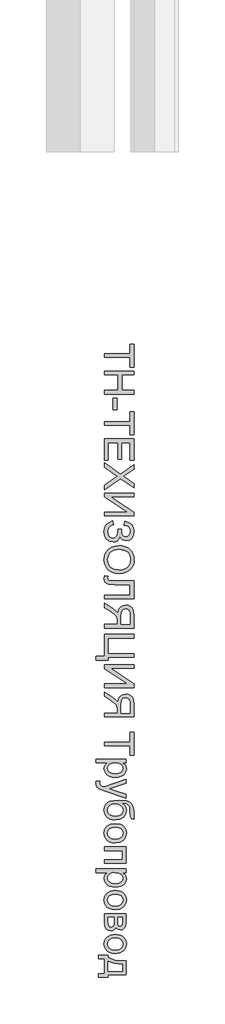
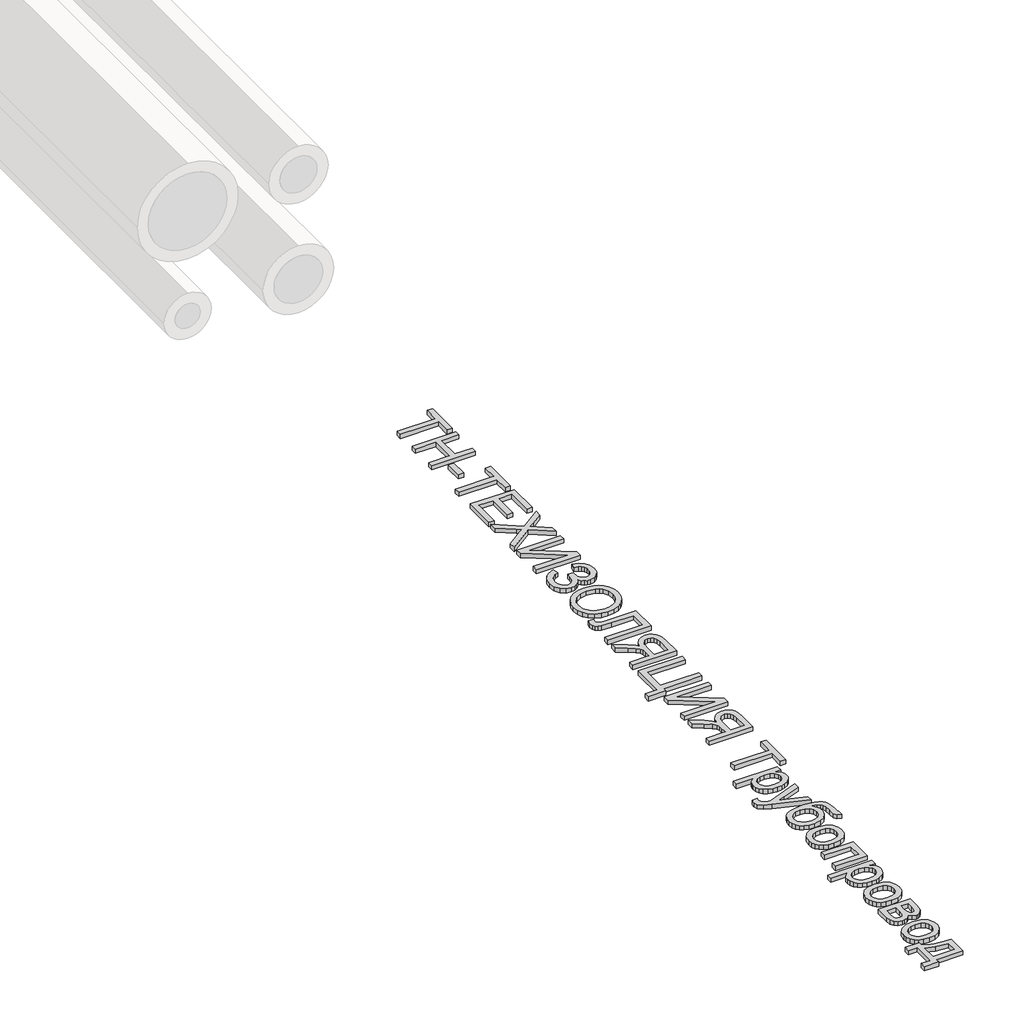
# One storey, part 2 of 2: 1 proxy.
"""IFC4 building model written with IfcOpenShell, lengths in millimetres."""

from ifc_helpers import new_model, si_unit, origin, origin_with_axes, place, context, project, spatial, polyline, outline, extrude, element, save

model = new_model("IFC4")

# Units and contexts
model_context = context("Model", 3, world=origin())
ifc_project = project(units=[si_unit("LENGTHUNIT", "METRE", prefix="MILLI")], contexts=[model_context])

# Site, building, storey
site = spatial("IfcSite", under=ifc_project)
building = spatial("IfcBuilding", under=site)
storey = spatial("IfcBuildingStorey", under=building, Elevation=0.0)

# Proxy
placement = place(None, origin())
element("IfcBuildingElementProxy", 1, Name="Generic Models", at=placement, inside=storey, context=model_context, shape_type="SweptSolid", body=[
    extrude(outline(polyline([(10619.5520286, -37659.3593778), (10791.8597209, -37659.3593778), (10791.8597209, -37594.7439932), (10816.4751055, -37594.7439932), (10816.4751055, -37748.590147), (10791.8597209, -37748.590147), (10791.8597209, -37683.9747624), (10619.5520286, -37683.9747624), (10619.5520286, -37659.3593778)])), origin_with_axes(), (0.0, 0.0, 1.0), 20.0),
    extrude(outline(polyline([(10619.5520286, -37776.2824547), (10816.4751055, -37776.2824547), (10816.4751055, -37800.8978393), (10736.4751055, -37800.8978393), (10736.4751055, -37905.5132239), (10816.4751055, -37905.5132239), (10816.4751055, -37930.1286085), (10619.5520286, -37930.1286085), (10619.5520286, -37905.5132239), (10711.8597209, -37905.5132239), (10711.8597209, -37800.8978393), (10619.5520286, -37800.8978393), (10619.5520286, -37776.2824547)])), origin_with_axes(), (0.0, 0.0, 1.0), 20.0),
    extrude(outline(polyline([(10678.0135671, -37957.8209162), (10702.6289517, -37957.8209162), (10702.6289517, -38034.7439932), (10678.0135671, -38034.7439932), (10678.0135671, -37957.8209162)])), origin_with_axes(), (0.0, 0.0, 1.0), 20.0),
    extrude(outline(polyline([(10619.5520286, -38114.7439932), (10791.8597209, -38114.7439932), (10791.8597209, -38050.1286085), (10816.4751055, -38050.1286085), (10816.4751055, -38203.9747624), (10791.8597209, -38203.9747624), (10791.8597209, -38139.3593778), (10619.5520286, -38139.3593778), (10619.5520286, -38114.7439932)])), origin_with_axes(), (0.0, 0.0, 1.0), 20.0),
    extrude(outline(polyline([(10619.5520286, -38231.6670701), (10816.4751055, -38231.6670701), (10816.4751055, -38373.2055316), (10791.8597209, -38373.2055316), (10791.8597209, -38256.2824547), (10733.3981825, -38256.2824547), (10733.3981825, -38367.0516855), (10708.7827978, -38367.0516855), (10708.7827978, -38256.2824547), (10644.1674132, -38256.2824547), (10644.1674132, -38376.2824547), (10619.5520286, -38376.2824547), (10619.5520286, -38231.6670701)])), origin_with_axes(), (0.0, 0.0, 1.0), 20.0),
    extrude(outline(polyline([(10619.5520286, -38391.6670701), (10726.8597209, -38467.5805316), (10816.4751055, -38403.9747624), (10816.4751055, -38433.4939932), (10766.0424132, -38469.3113008), (10746.3789517, -38481.3786085), (10766.3789517, -38495.5132239), (10816.4751055, -38530.9459162), (10816.4751055, -38560.8978393), (10726.5712594, -38497.2920701), (10619.5520286, -38573.2055316), (10619.5520286, -38543.6863008), (10690.8981825, -38493.1093778), (10705.7058748, -38482.5805316), (10689.4558748, -38470.9939932), (10619.5520286, -38421.6189932), (10619.5520286, -38391.6670701)])), origin_with_axes(), (0.0, 0.0, 1.0), 20.0),
    extrude(outline(polyline([(10816.4751055, -38594.7439932), (10816.4751055, -38619.3593778), (10660.5135671, -38619.3593778), (10816.4751055, -38722.4363008), (10816.4751055, -38748.590147), (10619.5520286, -38748.590147), (10619.5520286, -38723.9747624), (10775.0808748, -38723.9747624), (10619.5520286, -38621.1382239), (10619.5520286, -38594.7439932), (10816.4751055, -38594.7439932)])), origin_with_axes(), (0.0, 0.0, 1.0), 20.0),
    extrude(outline(polyline([(10674.936644, -38782.4363008), (10681.0904902, -38807.0516855), (10667.7671728, -38812.2500028), (10654.4318363, -38822.1718778), (10644.4258267, -38836.4567335), (10641.0904902, -38854.7439932), (10643.5964998, -38873.2716374), (10651.1145286, -38887.4122624), (10662.1782305, -38896.3725989), (10675.3212594, -38899.3593778), (10689.0892882, -38896.0961566), (10699.7202978, -38886.3064932), (10706.5171728, -38870.8918297), (10708.7827978, -38850.7536085), (10708.7827978, -38837.8209162), (10733.3981825, -38837.8209162), (10735.3933748, -38865.6814932), (10738.9390478, -38874.762022), (10745.5856825, -38882.7247624), (10754.3416921, -38888.277647), (10764.2154902, -38890.1286085), (10775.8080382, -38887.6646662), (10785.7779902, -38880.2728393), (10792.6469805, -38868.6742816), (10794.936644, -38853.590147), (10793.1758267, -38839.9543297), (10787.8933748, -38828.4699547), (10779.702269, -38819.6718778), (10769.2154902, -38814.0949547), (10751.8597209, -38810.1286085), (10758.0135671, -38785.5132239), (10784.936644, -38793.1604595), (10804.1674132, -38807.0156278), (10815.7058748, -38827.0787287), (10819.5520286, -38853.3497624), (10815.5556344, -38878.6923105), (10803.5664517, -38898.1814932), (10786.2287113, -38910.6033682), (10766.186644, -38914.7439932), (10753.232918, -38913.1334162), (10741.8236632, -38908.3016855), (10731.9588796, -38900.2488008), (10723.6385671, -38888.9747624), (10717.3344805, -38902.6646662), (10706.6914517, -38913.9266855), (10692.6229421, -38921.4627432), (10676.0424132, -38923.9747624), (10652.7311152, -38919.1550508), (10633.5664517, -38904.6959162), (10620.7479421, -38882.2800508), (10616.4751055, -38853.590147), (10620.1289517, -38828.6262047), (10631.0904902, -38808.4459162), (10649.3597209, -38793.0492816), (10674.936644, -38782.4363008)])), origin_with_axes(), (0.0, 0.0, 1.0), 20.0),
    extrude(outline(polyline([(10715.4174132, -38948.590147), (10738.51537, -38950.230772), (10758.9630863, -38955.152647), (10776.7605623, -38963.355772), (10791.9077978, -38974.840147), (10804.0021488, -38988.917671), (10812.6409709, -39004.9002432), (10817.8242642, -39022.7878633), (10819.5520286, -39042.5805316), (10816.3068363, -39068.4098585), (10806.5712594, -39091.5709162), (10791.030394, -39110.8016855), (10770.3693363, -39124.840147), (10745.5856825, -39133.4218778), (10717.6770286, -39136.2824547), (10689.3957786, -39133.2716374), (10664.2635671, -39124.2391855), (10643.5664517, -39109.683897), (10628.5904902, -39090.1045701), (10619.5039517, -39067.1418297), (10616.4751055, -39042.4363008), (10619.8224613, -39016.2103393), (10629.8645286, -38992.9170701), (10645.6938555, -38973.7343778), (10666.4029902, -38959.840147), (10690.2311152, -38951.402647), (10715.4174132, -38948.590147)]), holes=[polyline([(10715.1770286, -38973.2055316), (10684.3717402, -38978.1274066), (10660.8981825, -38992.8930316), (10646.0424132, -39015.0865412), (10641.0904902, -39042.2920701), (10646.0904902, -39069.8942335), (10661.0904902, -39092.1238008), (10672.139168, -39100.6739811), (10685.2852017, -39106.7812528), (10717.8693363, -39111.6670701), (10739.6602017, -39109.5757239), (10758.4943363, -39103.3016855), (10773.8969805, -39093.0072143), (10785.3933748, -39078.8545701), (10792.5508267, -39061.7812528), (10794.936644, -39042.7247624), (10790.3392882, -39016.246397), (10776.5472209, -38993.7343778), (10765.8155502, -38984.7530076), (10752.0099613, -38978.3377432), (10715.1770286, -38973.2055316)])]), origin_with_axes(), (0.0, 0.0, 1.0), 20.0),
    extrude(outline(polyline([(10816.4751055, -39185.5132239), (10816.4751055, -39305.5132239), (10619.5520286, -39305.5132239), (10619.5520286, -39280.8978393), (10791.8597209, -39280.8978393), (10791.8597209, -39210.1286085), (10691.3789517, -39210.1286085), (10646.5472209, -39207.2680316), (10633.8789517, -39202.8389451), (10624.3837594, -39195.2728393), (10618.452269, -39184.9122624), (10616.4751055, -39172.0997624), (10619.5520286, -39151.6670701), (10644.1674132, -39154.7439932), (10641.0904902, -39166.5228393), (10642.7431344, -39174.8461566), (10647.7010671, -39180.777647), (10658.7888075, -39184.3293297), (10678.8308748, -39185.5132239), (10816.4751055, -39185.5132239)])), origin_with_axes(), (0.0, 0.0, 1.0), 20.0),
    extrude(outline(polyline([(10619.5520286, -39502.4363008), (10619.5520286, -39477.8209162), (10705.7058748, -39477.8209162), (10705.7058748, -39448.1093778), (10704.8404902, -39433.8305316), (10700.1529902, -39422.1238008), (10687.3885671, -39409.1189932), (10660.3693363, -39390.6093778), (10619.5520286, -39364.9843778), (10619.5520286, -39336.3786085), (10672.9174132, -39369.215147), (10698.2539517, -39389.1670701), (10708.7827978, -39403.1574547), (10715.3092402, -39378.9086566), (10727.1001055, -39361.9314932), (10743.1818363, -39351.9254835), (10762.5808748, -39348.590147), (10778.1758267, -39350.6033682), (10792.3645286, -39356.6430316), (10803.8068363, -39366.0540893), (10811.1626055, -39378.1814932), (10815.1469805, -39394.7740412), (10816.4751055, -39417.5805316), (10816.4751055, -39502.4363008), (10619.5520286, -39502.4363008)]), holes=[polyline([(10730.3212594, -39477.8209162), (10791.8597209, -39477.8209162), (10791.8597209, -39416.5228393), (10789.7323171, -39397.0456758), (10783.3501055, -39383.6141855), (10773.6746248, -39375.8076951), (10761.6674132, -39373.2055316), (10744.9606825, -39378.6622624), (10733.8068363, -39394.6238008), (10730.3212594, -39422.7247624), (10730.3212594, -39477.8209162)])]), origin_with_axes(), (0.0, 0.0, 1.0), 20.0),
    extrude(outline(polyline([(10816.4751055, -39545.5132239), (10816.4751055, -39570.1286085), (10644.1674132, -39570.1286085), (10644.1674132, -39674.7439932), (10816.4751055, -39674.7439932), (10816.4751055, -39699.3593778), (10644.1674132, -39699.3593778), (10644.1674132, -39717.8209162), (10564.1674132, -39717.8209162), (10564.1674132, -39693.2055316), (10619.5520286, -39693.2055316), (10619.5520286, -39545.5132239), (10816.4751055, -39545.5132239)])), origin_with_axes(), (0.0, 0.0, 1.0), 20.0),
    extrude(outline(polyline([(10816.4751055, -39748.590147), (10816.4751055, -39773.2055316), (10660.5135671, -39773.2055316), (10816.4751055, -39876.2824547), (10816.4751055, -39902.4363008), (10619.5520286, -39902.4363008), (10619.5520286, -39877.8209162), (10775.0808748, -39877.8209162), (10619.5520286, -39774.9843778), (10619.5520286, -39748.590147), (10816.4751055, -39748.590147)])), origin_with_axes(), (0.0, 0.0, 1.0), 20.0),
    extrude(outline(polyline([(10619.5520286, -40099.3593778), (10619.5520286, -40074.7439932), (10705.7058748, -40074.7439932), (10705.7058748, -40045.0324547), (10704.8404902, -40030.7536085), (10700.1529902, -40019.0468778), (10687.3885671, -40006.0420701), (10660.3693363, -39987.5324547), (10619.5520286, -39961.9074547), (10619.5520286, -39933.3016855), (10672.9174132, -39966.1382239), (10698.2539517, -39986.090147), (10708.7827978, -40000.0805316), (10715.3092402, -39975.8317335), (10727.1001055, -39958.8545701), (10743.1818363, -39948.8485605), (10762.5808748, -39945.5132239), (10778.1758267, -39947.5264451), (10792.3645286, -39953.5661085), (10803.8068363, -39962.9771662), (10811.1626055, -39975.1045701), (10815.1469805, -39991.6971182), (10816.4751055, -40014.5036085), (10816.4751055, -40099.3593778), (10619.5520286, -40099.3593778)]), holes=[polyline([(10730.3212594, -40074.7439932), (10791.8597209, -40074.7439932), (10791.8597209, -40013.4459162), (10789.7323171, -39993.9687528), (10783.3501055, -39980.5372624), (10773.6746248, -39972.730772), (10761.6674132, -39970.1286085), (10744.9606825, -39975.5853393), (10733.8068363, -39991.5468778), (10730.3212594, -40019.6478393), (10730.3212594, -40074.7439932)])]), origin_with_axes(), (0.0, 0.0, 1.0), 20.0),
    extrude(outline(polyline([(10619.5520286, -40268.590147), (10791.8597209, -40268.590147), (10791.8597209, -40203.9747624), (10816.4751055, -40203.9747624), (10816.4751055, -40357.8209162), (10791.8597209, -40357.8209162), (10791.8597209, -40293.2055316), (10619.5520286, -40293.2055316), (10619.5520286, -40268.590147)])), origin_with_axes(), (0.0, 0.0, 1.0), 20.0),
    extrude(outline(polyline([(10564.1674132, -40382.4363008), (10764.1674132, -40382.4363008), (10764.1674132, -40407.0516855), (10740.0327978, -40407.0516855), (10760.4414517, -40424.0709162), (10765.5436152, -40434.5516855), (10767.2443363, -40447.0516855), (10764.8645286, -40463.6983201), (10757.7251055, -40478.2536085), (10746.2587594, -40490.1045701), (10730.8981825, -40498.6382239), (10712.7611632, -40503.7944739), (10692.9654902, -40505.5132239), (10671.9138075, -40503.5721182), (10653.0856825, -40497.7488008), (10637.436644, -40488.2295701), (10625.9222209, -40475.2007239), (10618.8368844, -40460.0264451), (10616.4751055, -40444.0709162), (10618.0556344, -40432.7548105), (10622.7972209, -40422.652647), (10638.7827978, -40407.0516855), (10564.1674132, -40407.0516855), (10564.1674132, -40382.4363008)]), holes=[polyline([(10690.7058748, -40407.0516855), (10668.6385671, -40409.7139451), (10653.2058748, -40417.7007239), (10644.1193363, -40429.4855797), (10641.0904902, -40443.5420701), (10644.2275094, -40457.8269258), (10653.6385671, -40469.9122624), (10669.6361632, -40478.1514451), (10692.5327978, -40480.8978393), (10714.4799132, -40478.2175508), (10730.1289517, -40470.1766855), (10739.5039517, -40458.4098585), (10742.6289517, -40444.5516855), (10739.3056344, -40430.6394258), (10729.3356825, -40418.4218778), (10713.0315959, -40409.8942335), (10690.7058748, -40407.0516855)])]), origin_with_axes(), (0.0, 0.0, 1.0), 20.0),
    extrude(outline(polyline([(10564.1674132, -40533.2055316), (10587.8693363, -40530.1286085), (10585.7058748, -40542.6286085), (10588.4222209, -40554.3113008), (10595.9943363, -40561.4747624), (10614.1193363, -40568.2055316), (10620.0808748, -40570.1286085), (10764.1674132, -40517.8209162), (10764.1674132, -40543.7824547), (10683.8789517, -40571.5228393), (10651.7635671, -40581.1863008), (10680.1289517, -40590.8497624), (10764.1674132, -40619.3593778), (10764.1674132, -40645.1286085), (10616.0904902, -40594.7920701), (10583.9751055, -40581.715147), (10566.6193363, -40567.4363008), (10561.0904902, -40548.2536085), (10564.1674132, -40533.2055316)])), origin_with_axes(), (0.0, 0.0, 1.0), 20.0),
    extrude(outline(polyline([(10819.5520286, -40767.0516855), (10819.5520286, -40788.590147), (10800.3452978, -40782.2439932), (10793.3981825, -40769.6959162), (10791.8597209, -40739.5516855), (10790.4414517, -40714.5216374), (10786.186644, -40698.9507239), (10778.8068363, -40689.6358201), (10768.0135671, -40683.3738008), (10735.8501055, -40678.1093778), (10749.6001055, -40688.0072143), (10759.4077978, -40699.4314932), (10765.2852017, -40712.3942335), (10767.2443363, -40726.9074547), (10762.2623652, -40752.5204355), (10747.3164517, -40773.3016855), (10723.8729421, -40787.0757239), (10693.3981825, -40791.6670701), (10669.9005863, -40789.3894258), (10651.0424132, -40782.5564932), (10636.3849613, -40772.5985605), (10625.4895286, -40760.9459162), (10618.7287113, -40746.1863008), (10616.4751055, -40726.9074547), (10619.3777498, -40704.6899066), (10628.0856825, -40688.0372624), (10641.3188555, -40675.7836566), (10657.7972209, -40666.7632239), (10682.6109228, -40661.2103393), (10720.8501055, -40659.3593778), (10768.0796728, -40664.0288489), (10784.7849012, -40669.8656879), (10796.8837594, -40678.0372624), (10805.4549733, -40688.6307119), (10811.577269, -40701.7331758), (10816.4751055, -40735.465147), (10817.0279902, -40762.8689932), (10819.5520286, -40767.0516855)]), holes=[polyline([(10694.1674132, -40767.0516855), (10713.5364036, -40764.3834162), (10729.0472209, -40756.3786085), (10739.233519, -40743.5180316), (10742.6289517, -40726.2824547), (10739.0412113, -40708.3137047), (10728.2779902, -40694.9843778), (10711.5171728, -40686.7271662), (10689.936644, -40683.9747624), (10669.0171728, -40687.0156278), (10653.6626055, -40696.1382239), (10644.233519, -40709.7199547), (10641.0904902, -40726.1382239), (10644.7263075, -40742.6406278), (10655.6337594, -40755.7055316), (10672.5388075, -40764.215147), (10694.1674132, -40767.0516855)])]), origin_with_axes(), (0.0, 0.0, 1.0), 20.0),
    extrude(outline(polyline([(10691.8597209, -40816.2824547), (10726.7275094, -40821.6069739), (10740.2761873, -40828.262623), (10751.2347209, -40837.5805316), (10763.2419325, -40857.3161085), (10767.2443363, -40880.9459162), (10762.3705382, -40906.8052912), (10747.749144, -40927.4603393), (10724.5339998, -40941.0000028), (10693.8789517, -40945.5132239), (10669.0111632, -40943.5180316), (10650.0808748, -40937.5324547), (10635.9041921, -40927.730772), (10625.2972209, -40914.2872624), (10618.6806344, -40898.3197143), (10616.4751055, -40880.9459162), (10621.3308748, -40854.7740412), (10635.8981825, -40834.1430316), (10659.6001055, -40820.7475989), (10691.8597209, -40816.2824547)]), holes=[polyline([(10691.9077978, -40840.8978393), (10669.6301536, -40843.746397), (10653.7587594, -40852.2920701), (10644.2575575, -40865.152647), (10641.0904902, -40880.9459162), (10644.2755863, -40896.6670701), (10653.8308748, -40909.5036085), (10669.9126055, -40918.0492816), (10692.6770286, -40920.8978393), (10714.3056344, -40918.0312528), (10729.9606825, -40909.4314932), (10739.4618844, -40896.5769258), (10742.6289517, -40880.9459162), (10739.4739036, -40865.152647), (10730.0087594, -40852.2920701), (10714.1734228, -40843.746397), (10691.9077978, -40840.8978393)])]), origin_with_axes(), (0.0, 0.0, 1.0), 20.0),
    extrude(outline(polyline([(10764.1674132, -40973.2055316), (10764.1674132, -41083.9747624), (10619.5520286, -41083.9747624), (10619.5520286, -41059.3593778), (10739.5520286, -41059.3593778), (10739.5520286, -40997.8209162), (10619.5520286, -40997.8209162), (10619.5520286, -40973.2055316), (10764.1674132, -40973.2055316)])), origin_with_axes(), (0.0, 0.0, 1.0), 20.0),
    extrude(outline(polyline([(10564.1674132, -41120.8978393), (10764.1674132, -41120.8978393), (10764.1674132, -41145.5132239), (10740.0327978, -41145.5132239), (10760.4414517, -41162.5324547), (10765.5436152, -41173.0132239), (10767.2443363, -41185.5132239), (10764.8645286, -41202.1598585), (10757.7251055, -41216.715147), (10746.2587594, -41228.5661085), (10730.8981825, -41237.0997624), (10712.7611632, -41242.2560124), (10692.9654902, -41243.9747624), (10671.9138075, -41242.0336566), (10653.0856825, -41236.2103393), (10637.436644, -41226.6911085), (10625.9222209, -41213.6622624), (10618.8368844, -41198.4879835), (10616.4751055, -41182.5324547), (10618.0556344, -41171.2163489), (10622.7972209, -41161.1141855), (10638.7827978, -41145.5132239), (10564.1674132, -41145.5132239), (10564.1674132, -41120.8978393)]), holes=[polyline([(10690.7058748, -41145.5132239), (10668.6385671, -41148.1754835), (10653.2058748, -41156.1622624), (10644.1193363, -41167.9471182), (10641.0904902, -41182.0036085), (10644.2275094, -41196.2884643), (10653.6385671, -41208.3738008), (10669.6361632, -41216.6129835), (10692.5327978, -41219.3593778), (10714.4799132, -41216.6790893), (10730.1289517, -41208.6382239), (10739.5039517, -41196.871397), (10742.6289517, -41183.0132239), (10739.3056344, -41169.1009643), (10729.3356825, -41156.8834162), (10713.0315959, -41148.355772), (10690.7058748, -41145.5132239)])]), origin_with_axes(), (0.0, 0.0, 1.0), 20.0),
    extrude(outline(polyline([(10691.8597209, -41265.5132239), (10726.7275094, -41270.8377432), (10740.2761873, -41277.4933922), (10751.2347209, -41286.8113008), (10763.2419325, -41306.5468778), (10767.2443363, -41330.1766855), (10762.3705382, -41356.0360605), (10747.749144, -41376.6911085), (10724.5339998, -41390.230772), (10693.8789517, -41394.7439932), (10669.0111632, -41392.7488008), (10650.0808748, -41386.7632239), (10635.9041921, -41376.9615412), (10625.2972209, -41363.5180316), (10618.6806344, -41347.5504835), (10616.4751055, -41330.1766855), (10621.3308748, -41304.0048105), (10635.8981825, -41283.3738008), (10659.6001055, -41269.9783682), (10691.8597209, -41265.5132239)]), holes=[polyline([(10691.9077978, -41290.1286085), (10669.6301536, -41292.9771662), (10653.7587594, -41301.5228393), (10644.2575575, -41314.3834162), (10641.0904902, -41330.1766855), (10644.2755863, -41345.8978393), (10653.8308748, -41358.7343778), (10669.9126055, -41367.2800508), (10692.6770286, -41370.1286085), (10714.3056344, -41367.262022), (10729.9606825, -41358.6622624), (10739.4618844, -41345.8076951), (10742.6289517, -41330.1766855), (10739.4739036, -41314.3834162), (10730.0087594, -41301.5228393), (10714.1734228, -41292.9771662), (10691.9077978, -41290.1286085)])]), origin_with_axes(), (0.0, 0.0, 1.0), 20.0),
    extrude(outline(polyline([(10764.1674132, -41422.4363008), (10764.1674132, -41476.6670701), (10760.874144, -41506.402647), (10748.8068363, -41523.1334162), (10739.1614036, -41528.3798105), (10727.7731825, -41530.1286085), (10710.6818363, -41525.8978393), (10698.4943363, -41513.1574547), (10693.3801536, -41522.2680316), (10685.1529902, -41529.6959162), (10674.4618844, -41534.6358201), (10661.9558748, -41536.2824547), (10643.1938555, -41532.1117816), (10629.9847209, -41522.1959162), (10622.1602017, -41506.4988008), (10619.5520286, -41484.9843778), (10619.5520286, -41422.4363008), (10764.1674132, -41422.4363008)]), holes=[polyline([(10708.7827978, -41447.0516855), (10708.7827978, -41471.3786085), (10710.0327978, -41491.4507239), (10715.0327978, -41501.2103393), (10724.0712594, -41505.5132239), (10731.4150094, -41503.6262047), (10736.1385671, -41497.965147), (10739.5520286, -41472.1478393), (10739.5520286, -41447.0516855), (10708.7827978, -41447.0516855)]), polyline([(10644.1674132, -41447.0516855), (10644.1674132, -41477.2439932), (10645.2791921, -41493.6983201), (10648.6145286, -41504.0228393), (10654.6782305, -41509.5637047), (10663.9751055, -41511.6670701), (10675.8260671, -41507.4603393), (10682.7251055, -41496.4988008), (10684.1674132, -41474.840147), (10684.1674132, -41447.0516855), (10644.1674132, -41447.0516855)])]), origin_with_axes(), (0.0, 0.0, 1.0), 20.0),
    extrude(outline(polyline([(10691.8597209, -41560.8978393), (10726.7275094, -41566.2223585), (10740.2761873, -41572.8780076), (10751.2347209, -41582.1959162), (10763.2419325, -41601.9314932), (10767.2443363, -41625.5613008), (10762.3705382, -41651.4206758), (10747.749144, -41672.0757239), (10724.5339998, -41685.6153874), (10693.8789517, -41690.1286085), (10669.0111632, -41688.1334162), (10650.0808748, -41682.1478393), (10635.9041921, -41672.3461566), (10625.2972209, -41658.902647), (10618.6806344, -41642.9350989), (10616.4751055, -41625.5613008), (10621.3308748, -41599.3894258), (10635.8981825, -41578.7584162), (10659.6001055, -41565.3629835), (10691.8597209, -41560.8978393)]), holes=[polyline([(10691.9077978, -41585.5132239), (10669.6301536, -41588.3617816), (10653.7587594, -41596.9074547), (10644.2575575, -41609.7680316), (10641.0904902, -41625.5613008), (10644.2755863, -41641.2824547), (10653.8308748, -41654.1189932), (10669.9126055, -41662.6646662), (10692.6770286, -41665.5132239), (10714.3056344, -41662.6466374), (10729.9606825, -41654.0468778), (10739.4618844, -41641.1923105), (10742.6289517, -41625.5613008), (10739.4739036, -41609.7680316), (10730.0087594, -41596.9074547), (10714.1734228, -41588.3617816), (10691.9077978, -41585.5132239)])]), origin_with_axes(), (0.0, 0.0, 1.0), 20.0),
    extrude(outline(polyline([(10764.1674132, -41739.3593778), (10764.1674132, -41831.6670701), (10644.1674132, -41831.6670701), (10644.1674132, -41850.1286085), (10579.5520286, -41850.1286085), (10579.5520286, -41825.5132239), (10619.5520286, -41825.5132239), (10619.5520286, -41723.9747624), (10579.5520286, -41723.9747624), (10579.5520286, -41699.3593778), (10644.1674132, -41699.3593778), (10644.1674132, -41714.7439932), (10664.3777498, -41725.9278874), (10691.1145286, -41733.7584162), (10724.3777498, -41738.2355797), (10764.1674132, -41739.3593778)]), holes=[polyline([(10739.5520286, -41760.8978393), (10683.4702978, -41755.1286085), (10644.1674132, -41742.4363008), (10644.1674132, -41807.0516855), (10739.5520286, -41807.0516855), (10739.5520286, -41760.8978393)])]), origin_with_axes(), (0.0, 0.0, 1.0), 20.0),
])

save(model, "model.ifc")
